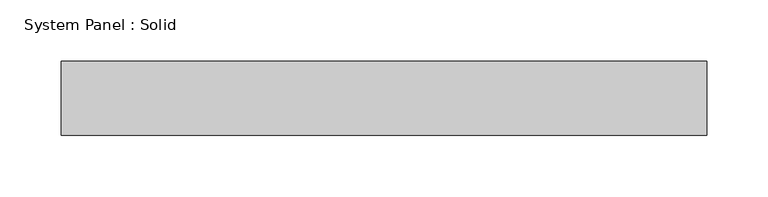
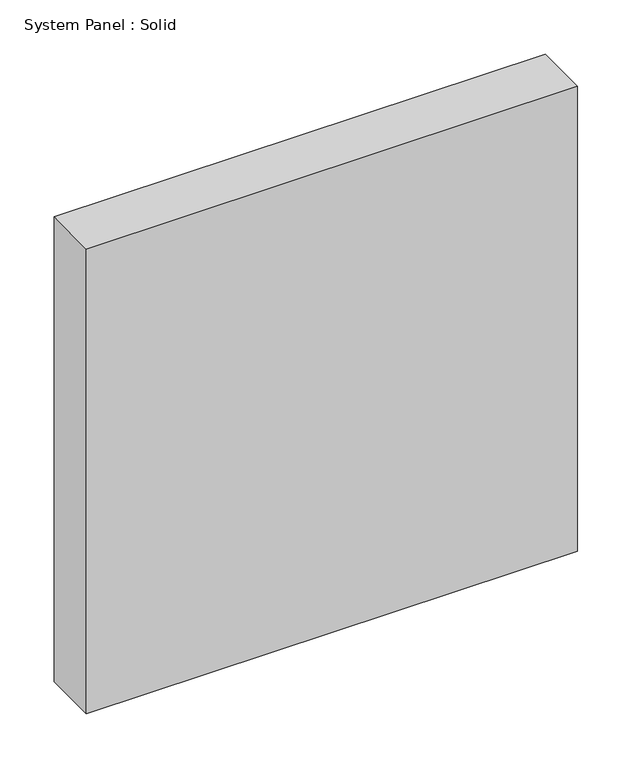
"""IFC4 building model written with IfcOpenShell, lengths in millimetres: plate geometry, System Panel : Solid."""

from ifc_helpers import new_model, si_unit, origin, origin_with_axes, place, context, project, spatial, polyline, outline, extrude, source, transform, mapped, element, save


def system_panel_solid_03ee10c8(model_context):
    return source(origin(), model_context, "Body", "SweptSolid", [
        extrude(outline(polyline([(262.5, -49.5), (-262.5, -49.5), (-262.5, 10.5), (262.5, 10.5), (262.5, -49.5)])), origin_with_axes(), (0.0, 0.0, 1.0), 525.0),
    ])


if __name__ == "__main__":
    model = new_model("IFC4")
    model_context = context("Model", 3, world=origin())
    ifc_project = project(units=[si_unit("LENGTHUNIT", "METRE", prefix="MILLI")], contexts=[model_context])
    site = spatial("IfcSite", under=ifc_project)
    building = spatial("IfcBuilding", under=site)
    placement = place(None, origin())
    system_panel_solid_shape = system_panel_solid_03ee10c8(model_context)
    element("IfcPlate", 1, ObjectType="System Panel : Solid", at=placement, inside=building, context=model_context, shape_type="MappedRepresentation", body=[
        mapped(system_panel_solid_shape, transform((0.0, 0.0, 0.0), x_axis=(1.0, 0.0, 0.0), y_axis=(0.0, 1.0, 0.0), z_axis=(0.0, 0.0, 1.0))),
    ])
    save(model, "model.ifc")
